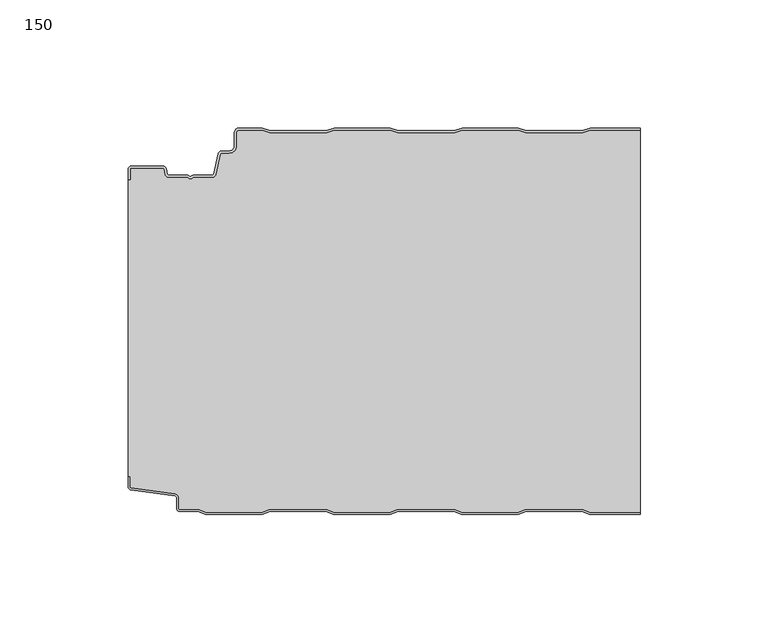
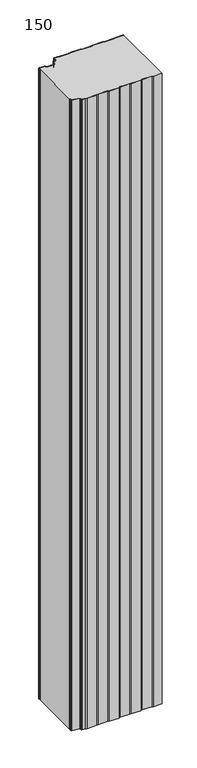
"""IFC4 building model written with IfcOpenShell, lengths in millimetres: plate geometry, 150."""

from ifc_helpers import new_model, si_unit, point, frame_2d, origin, origin_with_axes, place, context, project, spatial, polyline, circle_curve, trimmed, segment, composite_curve, outline, extrude, source, transform, mapped, element, save


def plate_150_febe8382(model_context):
    return source(origin(), model_context, "Body", "SweptSolid", [
        extrude(outline(composite_curve([segment(trimmed(circle_curve(frame_2d((-98.6, -16.2480681)), 1.4), [point((-100.0, -16.2480681))], [point((-98.6, -14.8480681))], False, "CARTESIAN"), True, "CONTINUOUS"), segment(polyline([(-98.6, -14.8480681), (-86.4969094, -14.8480681)]), True, "CONTINUOUS"), segment(trimmed(circle_curve(frame_2d((-86.4969094, -16.2480681)), 1.4), [point((-86.4969094, -14.8480681))], [point((-85.1275334, -15.9568477))], False, "CARTESIAN"), True, "CONTINUOUS"), segment(polyline([(-85.1275334, -15.9568477), (-84.6878192, -18.0244711)]), True, "CONTINUOUS"), segment(trimmed(circle_curve(frame_2d((-84.1011925, -17.8997153)), 0.5997457), [point((-84.6878192, -18.0244711))], [point((-84.1011925, -18.499461))], True, "CARTESIAN"), True, "CONTINUOUS"), segment(polyline([(-84.1011925, -18.499461), (-76.9006569, -18.499461)]), True, "CONTINUOUS"), segment(trimmed(circle_curve(frame_2d((-76.9006569, -19.799946)), 1.300485), [point((-76.9006569, -18.499461))], [point((-75.9808032, -18.8806362))], False, "CARTESIAN"), True, "CONTINUOUS"), segment(trimmed(circle_curve(frame_2d((-75.5877843, -18.5693125)), 0.5013845), [point((-75.9808032, -18.8806362))], [point((-75.2328971, -18.9234896))], True, "CARTESIAN"), True, "CONTINUOUS"), segment(trimmed(circle_curve(frame_2d((-74.2728751, -19.8002001)), 1.3001013), [point((-75.2328971, -18.9234896))], [point((-74.2728751, -18.5000988))], False, "CARTESIAN"), True, "CONTINUOUS"), segment(polyline([(-74.2728751, -18.5000988), (-67.0728572, -18.5000988)]), True, "CONTINUOUS"), segment(trimmed(circle_curve(frame_2d((-67.0728572, -17.9000522)), 0.6000466), [point((-67.0728572, -18.5000988))], [point((-66.4859224, -18.0248059))], True, "CARTESIAN"), True, "CONTINUOUS"), segment(polyline([(-66.4859224, -18.0248059), (-64.8033928, -10.1089305)]), True, "CONTINUOUS"), segment(trimmed(circle_curve(frame_2d((-63.4339847, -10.4)), 1.4), [point((-64.8033928, -10.1089305))], [point((-63.4339847, -9.0))], False, "CARTESIAN"), True, "CONTINUOUS"), segment(polyline([(-63.4339847, -9.0), (-60.4027062, -9.0)]), True, "CONTINUOUS"), segment(trimmed(circle_curve(frame_2d((-60.4027062, -7.1)), 1.9), [point((-60.4027062, -9.0))], [point((-58.5027062, -7.1))], True, "CARTESIAN"), True, "CONTINUOUS"), segment(polyline([(-58.5027062, -7.1), (-58.5027062, -2.0)]), True, "CONTINUOUS"), segment(trimmed(circle_curve(frame_2d((-56.5027062, -2.0)), 2.0), [point((-58.5027062, -2.0))], [point((-56.5027062, 0.0))], False, "CARTESIAN"), True, "CONTINUOUS"), segment(polyline([(-56.5027062, 0.0), (-47.5017452, 0.0), (-44.5017452, -1.0), (-22.5017452, -1.0), (-19.5017452, 0.0), (2.4982548, 0.0), (5.4982548, -1.0), (27.4982548, -1.0), (30.4982548, 0.0), (52.4982548, 0.0), (55.4982548, -1.0), (77.4982548, -1.0), (80.4982548, 0.0), (100.0, 0.0), (100.0, -0.8), (80.6280769, -0.8), (77.6280769, -1.8), (55.3684327, -1.8), (52.3684327, -0.8), (30.6280769, -0.8), (27.6280769, -1.8), (5.3684327, -1.8), (2.3684327, -0.8), (-19.3719231, -0.8), (-22.3719231, -1.8), (-44.6315673, -1.8), (-47.6315673, -0.8), (-56.5027062, -0.8)]), True, "CONTINUOUS"), segment(trimmed(circle_curve(frame_2d((-56.5027062, -2.0)), 1.2), [point((-56.5027062, -0.8))], [point((-57.7027062, -2.0))], True, "CARTESIAN"), True, "CONTINUOUS"), segment(polyline([(-57.7027062, -2.0), (-57.7027062, -7.1)]), True, "CONTINUOUS"), segment(trimmed(circle_curve(frame_2d((-60.4027062, -7.1)), 2.7), [point((-57.7027062, -7.1))], [point((-60.4027062, -9.8))], False, "CARTESIAN"), True, "CONTINUOUS"), segment(polyline([(-60.4027062, -9.8), (-63.4339847, -9.8)]), True, "CONTINUOUS"), segment(trimmed(circle_curve(frame_2d((-63.4339847, -10.4)), 0.6), [point((-63.4339847, -9.8))], [point((-64.0208733, -10.275253))], True, "CARTESIAN"), True, "CONTINUOUS"), segment(polyline([(-64.0208733, -10.275253), (-65.7034335, -18.1910764)]), True, "CONTINUOUS"), segment(trimmed(circle_curve(frame_2d((-67.0728401, -17.9)), 1.4), [point((-65.7034335, -18.1910764))], [point((-67.0728401, -19.3))], False, "CARTESIAN"), True, "CONTINUOUS"), segment(polyline([(-67.0728401, -19.3), (-74.5122154, -19.3)]), True, "CONTINUOUS"), segment(trimmed(circle_curve(frame_2d((-75.5869697, -18.5686292)), 1.3), [point((-74.5122154, -19.3))], [point((-76.6617239, -19.3))], False, "CARTESIAN"), True, "CONTINUOUS"), segment(polyline([(-76.6617239, -19.3), (-84.1010993, -19.3)]), True, "CONTINUOUS"), segment(trimmed(circle_curve(frame_2d((-84.1010993, -17.9)), 1.4), [point((-84.1010993, -19.3))], [point((-85.4705059, -18.1910764))], False, "CARTESIAN"), True, "CONTINUOUS"), segment(polyline([(-85.4705059, -18.1910764), (-85.9100208, -16.1233211)]), True, "CONTINUOUS"), segment(trimmed(circle_curve(frame_2d((-86.4969094, -16.2480681)), 0.6), [point((-85.9100208, -16.1233211))], [point((-86.4969094, -15.6480681))], True, "CARTESIAN"), True, "CONTINUOUS"), segment(polyline([(-86.4969094, -15.6480681), (-98.6, -15.6480681)]), True, "CONTINUOUS"), segment(trimmed(circle_curve(frame_2d((-98.6, -16.2480681)), 0.6), [point((-98.6, -15.6480681))], [point((-99.2, -16.2480681))], True, "CARTESIAN"), True, "CONTINUOUS"), segment(polyline([(-99.2, -16.2480681), (-99.2, -20.2482392), (-100.0, -20.2482392), (-100.0, -16.2480681)]), True, "CONTINUOUS")], self_intersect=False)), origin_with_axes(), (0.0, 0.0, 1.0), 1500.0),
        extrude(outline(composite_curve([segment(polyline([(-100.0, -136.3232445), (-100.0, -20.2482392), (-99.2, -20.2482392), (-99.2, -16.2480681)]), True, "CONTINUOUS"), segment(trimmed(circle_curve(frame_2d((-98.6, -16.2480681)), 0.6), [point((-99.2, -16.2480681))], [point((-98.6, -15.6480681))], False, "CARTESIAN"), True, "CONTINUOUS"), segment(polyline([(-98.6, -15.6480681), (-86.4969094, -15.6480681)]), True, "CONTINUOUS"), segment(trimmed(circle_curve(frame_2d((-86.4969094, -16.2480681)), 0.6), [point((-86.4969094, -15.6480681))], [point((-85.9100208, -16.1233211))], False, "CARTESIAN"), True, "CONTINUOUS"), segment(polyline([(-85.9100208, -16.1233211), (-85.4705059, -18.1910764)]), True, "CONTINUOUS"), segment(trimmed(circle_curve(frame_2d((-84.1010993, -17.9)), 1.4), [point((-85.4705059, -18.1910764))], [point((-84.1010993, -19.3))], True, "CARTESIAN"), True, "CONTINUOUS"), segment(polyline([(-84.1010993, -19.3), (-76.6617239, -19.3)]), True, "CONTINUOUS"), segment(trimmed(circle_curve(frame_2d((-75.5869697, -18.5686292)), 1.3), [point((-76.6617239, -19.3))], [point((-74.5122154, -19.3))], True, "CARTESIAN"), True, "CONTINUOUS"), segment(polyline([(-74.5122154, -19.3), (-67.0728401, -19.3)]), True, "CONTINUOUS"), segment(trimmed(circle_curve(frame_2d((-67.0728401, -17.9)), 1.4), [point((-67.0728401, -19.3))], [point((-65.7034335, -18.1910764))], True, "CARTESIAN"), True, "CONTINUOUS"), segment(polyline([(-65.7034335, -18.1910764), (-64.0208733, -10.275253)]), True, "CONTINUOUS"), segment(trimmed(circle_curve(frame_2d((-63.4339847, -10.4)), 0.6), [point((-64.0208733, -10.275253))], [point((-63.4339847, -9.8))], False, "CARTESIAN"), True, "CONTINUOUS"), segment(polyline([(-63.4339847, -9.8), (-60.4027062, -9.8)]), True, "CONTINUOUS"), segment(trimmed(circle_curve(frame_2d((-60.4027062, -7.1)), 2.7), [point((-60.4027062, -9.8))], [point((-57.7027062, -7.1))], True, "CARTESIAN"), True, "CONTINUOUS"), segment(polyline([(-57.7027062, -7.1), (-57.7027062, -2.0)]), True, "CONTINUOUS"), segment(trimmed(circle_curve(frame_2d((-56.5027062, -2.0)), 1.2), [point((-57.7027062, -2.0))], [point((-56.5027062, -0.8))], False, "CARTESIAN"), True, "CONTINUOUS"), segment(polyline([(-56.5027062, -0.8), (-47.6315673, -0.8), (-44.6315673, -1.8), (-22.3719231, -1.8), (-19.3719231, -0.8), (2.3684327, -0.8), (5.3684327, -1.8), (27.6280769, -1.8), (30.6280769, -0.8), (52.3684327, -0.8), (55.3684327, -1.8), (77.6280769, -1.8), (80.6280769, -0.8), (100.0, -0.8), (100.0, -150.2), (80.3684327, -150.2), (77.3684327, -149.2), (55.3684327, -149.2), (52.3684327, -150.2), (30.3684327, -150.2), (27.3684327, -149.2), (5.3684327, -149.2), (2.3684327, -150.2), (-19.6315673, -150.2), (-22.6315673, -149.2), (-44.6315673, -149.2), (-47.6315673, -150.2), (-69.6315673, -150.2), (-72.6315673, -149.2), (-79.7, -149.2)]), True, "CONTINUOUS"), segment(trimmed(circle_curve(frame_2d((-79.7, -148.7)), 0.5), [point((-79.7, -149.2))], [point((-80.2, -148.7))], False, "CARTESIAN"), True, "CONTINUOUS"), segment(polyline([(-80.2, -148.7), (-80.2, -144.6035317)]), True, "CONTINUOUS"), segment(trimmed(circle_curve(frame_2d((-81.7, -144.6035317)), 1.5), [point((-80.2, -144.6035317))], [point((-81.4911207, -143.1181464))], True, "CARTESIAN"), True, "CONTINUOUS"), segment(polyline([(-81.4911207, -143.1181464), (-98.6835517, -140.7004962)]), True, "CONTINUOUS"), segment(trimmed(circle_curve(frame_2d((-98.6, -140.1063421)), 0.6), [point((-98.6835517, -140.7004962))], [point((-99.2, -140.1063421))], False, "CARTESIAN"), True, "CONTINUOUS"), segment(polyline([(-99.2, -140.1063421), (-99.2, -136.3232445), (-100.0, -136.3232445)]), True, "CONTINUOUS")], self_intersect=False)), origin_with_axes(), (0.0, 0.0, 1.0), 1500.0),
        extrude(outline(composite_curve([segment(polyline([(-100.0, -136.3232445), (-99.2, -136.3232445), (-99.2, -140.1063421)]), True, "CONTINUOUS"), segment(trimmed(circle_curve(frame_2d((-98.6, -140.1063421)), 0.6), [point((-99.2, -140.1063421))], [point((-98.6835517, -140.7004962))], True, "CARTESIAN"), True, "CONTINUOUS"), segment(polyline([(-98.6835517, -140.7004962), (-81.4911207, -143.1181464)]), True, "CONTINUOUS"), segment(trimmed(circle_curve(frame_2d((-81.7, -144.6035317)), 1.5), [point((-81.4911207, -143.1181464))], [point((-80.2, -144.6035317))], False, "CARTESIAN"), True, "CONTINUOUS"), segment(polyline([(-80.2, -144.6035317), (-80.2, -148.7)]), True, "CONTINUOUS"), segment(trimmed(circle_curve(frame_2d((-79.7, -148.7)), 0.5), [point((-80.2, -148.7))], [point((-79.7, -149.2))], True, "CARTESIAN"), True, "CONTINUOUS"), segment(polyline([(-79.7, -149.2), (-72.6315673, -149.2), (-69.6315673, -150.2), (-47.6315673, -150.2), (-44.6315673, -149.2), (-22.6315673, -149.2), (-19.6315673, -150.2), (2.3684327, -150.2), (5.3684327, -149.2), (27.3684327, -149.2), (30.3684327, -150.2), (52.3684327, -150.2), (55.3684327, -149.2), (77.3684327, -149.2), (80.3684327, -150.2), (100.0, -150.2), (100.0, -151.0), (80.2386105, -151.0), (77.2386105, -150.0), (55.4982548, -150.0), (52.4982548, -151.0), (30.2386105, -151.0), (27.2386105, -150.0), (5.4982548, -150.0), (2.4982548, -151.0), (-19.7613895, -151.0), (-22.7613895, -150.0), (-44.5017452, -150.0), (-47.5017452, -151.0), (-69.7613895, -151.0), (-72.7613895, -150.0), (-79.7, -150.0)]), True, "CONTINUOUS"), segment(trimmed(circle_curve(frame_2d((-79.7, -148.7)), 1.3), [point((-79.7, -150.0))], [point((-81.0, -148.7))], False, "CARTESIAN"), True, "CONTINUOUS"), segment(polyline([(-81.0, -148.7), (-81.0, -144.6035317)]), True, "CONTINUOUS"), segment(trimmed(circle_curve(frame_2d((-81.7, -144.6035317)), 0.7), [point((-81.0, -144.6035317))], [point((-81.602523, -143.9103519))], True, "CARTESIAN"), True, "CONTINUOUS"), segment(polyline([(-81.602523, -143.9103519), (-98.8810287, -141.4805976)]), True, "CONTINUOUS"), segment(trimmed(circle_curve(frame_2d((-98.7, -140.1932637)), 1.3), [point((-98.8810287, -141.4805976))], [point((-100.0, -140.1932637))], False, "CARTESIAN"), True, "CONTINUOUS"), segment(polyline([(-100.0, -140.1932637), (-100.0, -136.3232445)]), True, "CONTINUOUS")], self_intersect=False)), origin_with_axes(), (0.0, 0.0, 1.0), 1500.0),
    ])


if __name__ == "__main__":
    model = new_model("IFC4")
    model_context = context("Model", 3, world=origin())
    ifc_project = project(units=[si_unit("LENGTHUNIT", "METRE", prefix="MILLI")], contexts=[model_context])
    site = spatial("IfcSite", under=ifc_project)
    building = spatial("IfcBuilding", under=site)
    placement = place(None, origin())
    plate_150_shape = plate_150_febe8382(model_context)
    element("IfcPlate", 1, ObjectType="150", at=placement, inside=building, context=model_context, shape_type="MappedRepresentation", body=[
        mapped(plate_150_shape, transform((0.0, 0.0, 0.0), x_axis=(1.0, 0.0, 0.0), y_axis=(0.0, 1.0, 0.0), z_axis=(0.0, 0.0, 1.0))),
    ])
    save(model, "model.ifc")
